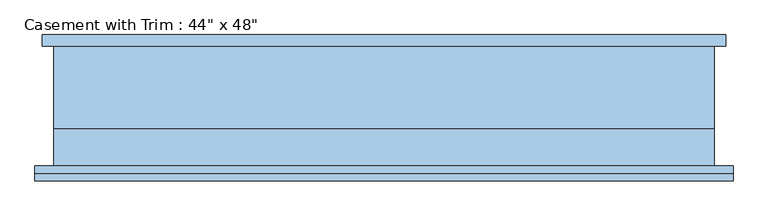
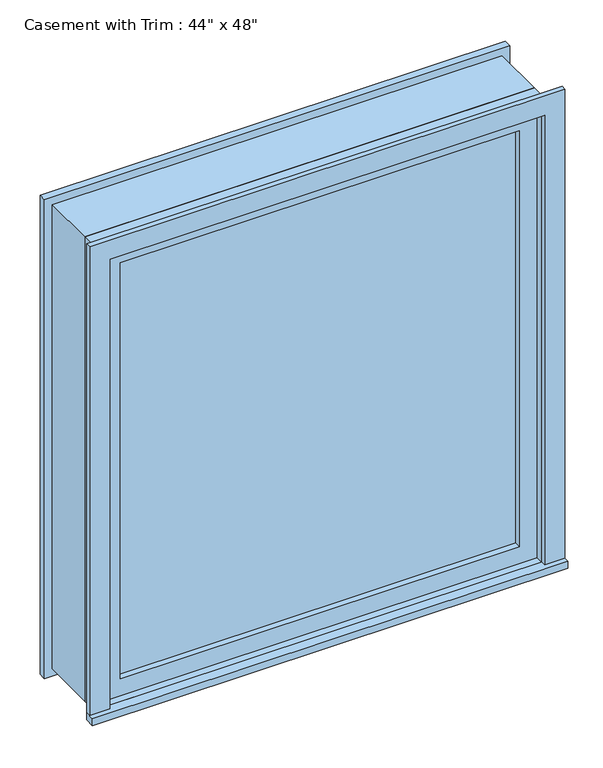
"""IFC4 building model written with IfcOpenShell, lengths in millimetres: window geometry."""

from ifc_helpers import new_model, si_unit, frame, origin, place, context, project, spatial, polyline, outline, extrude, source, transform, mapped, element, save


def window_ff1b29e4(model_context):
    return source(origin(), model_context, "Body", "SweptSolid", [
        extrude(outline(polyline([(-590.55, -127.0), (-590.55, -101.6), (590.55, -101.6), (590.55, -127.0), (-590.55, -127.0)])), frame((0.0, 0.0, 914.4), z_axis=(0.0, 0.0, 1.0), x_axis=(1.0, 0.0, 0.0)), (0.0, 0.0, 1.0), 19.05),
        extrude(outline(polyline([(2114.55, -539.75), (2114.55, 539.75), (933.45, 539.75), (933.45, 590.55), (2165.35, 590.55), (2165.35, -590.55), (933.45, -590.55), (933.45, -539.75), (2114.55, -539.75)])), frame((0.0, -114.3, 0.0), z_axis=(0.0, 1.0, 0.0), x_axis=(0.0, 0.0, 1.0)), (0.0, 0.0, 1.0), 12.7),
        extrude(outline(polyline([(2152.65, 577.85), (2152.65, -577.85), (895.35, -577.85), (895.35, 577.85), (2152.65, 577.85)]), holes=[polyline([(2101.85, 527.05), (946.15, 527.05), (946.15, -527.05), (2101.85, -527.05), (2101.85, 527.05)])]), frame((0.0, 101.6, 0.0), z_axis=(0.0, 1.0, 0.0), x_axis=(0.0, 0.0, 1.0)), (0.0, 0.0, 1.0), 19.05),
        extrude(outline(polyline([(495.3, -53.975), (495.3, -66.675), (-495.3, -66.675), (-495.3, -53.975), (495.3, -53.975)])), frame((0.0, 0.0, 977.9), z_axis=(0.0, 0.0, 1.0), x_axis=(1.0, 0.0, 0.0)), (0.0, 0.0, 1.0), 1092.2),
        extrude(outline(polyline([(2114.55, -539.75), (933.45, -539.75), (933.45, 539.75), (2114.55, 539.75), (2114.55, -539.75)]), holes=[polyline([(2070.1, -495.3), (2070.1, 495.3), (977.9, 495.3), (977.9, -495.3), (2070.1, -495.3)])]), frame((0.0, -82.55, 0.0), z_axis=(0.0, 1.0, 0.0), x_axis=(0.0, 0.0, 1.0)), (0.0, 0.0, 1.0), 44.45),
        extrude(outline(polyline([(2133.6, -558.8), (914.4, -558.8), (914.4, 558.8), (2133.6, 558.8), (2133.6, -558.8)]), holes=[polyline([(2101.85, -527.05), (2101.85, 527.05), (946.15, 527.05), (946.15, -527.05), (2101.85, -527.05)])]), frame((0.0, -38.1, 0.0), z_axis=(0.0, 1.0, 0.0), x_axis=(0.0, 0.0, 1.0)), (0.0, 0.0, 1.0), 139.7),
        extrude(outline(polyline([(2133.6, 558.8), (2133.6, -558.8), (914.4, -558.8), (914.4, 558.8), (2133.6, 558.8)]), holes=[polyline([(2114.55, 539.75), (933.45, 539.75), (933.45, -539.75), (2114.55, -539.75), (2114.55, 539.75)])]), frame((0.0, -101.6, 0.0), z_axis=(0.0, 1.0, 0.0), x_axis=(0.0, 0.0, 1.0)), (0.0, 0.0, 1.0), 63.5),
    ])


if __name__ == "__main__":
    model = new_model("IFC4")
    model_context = context("Model", 3, world=origin())
    ifc_project = project(units=[si_unit("LENGTHUNIT", "METRE", prefix="MILLI")], contexts=[model_context])
    site = spatial("IfcSite", under=ifc_project)
    building = spatial("IfcBuilding", under=site)
    placement = place(None, origin())
    window_shape = window_ff1b29e4(model_context)
    element("IfcWindow", 1, ObjectType="Casement with Trim : 44\" x 48\"", at=placement, inside=building, context=model_context, shape_type="MappedRepresentation", body=[
        mapped(window_shape, transform((0.0, 0.0, 0.0), x_axis=(1.0, 0.0, 0.0), y_axis=(0.0, 1.0, 0.0), z_axis=(0.0, 0.0, 1.0))),
    ])
    save(model, "model.ifc")
